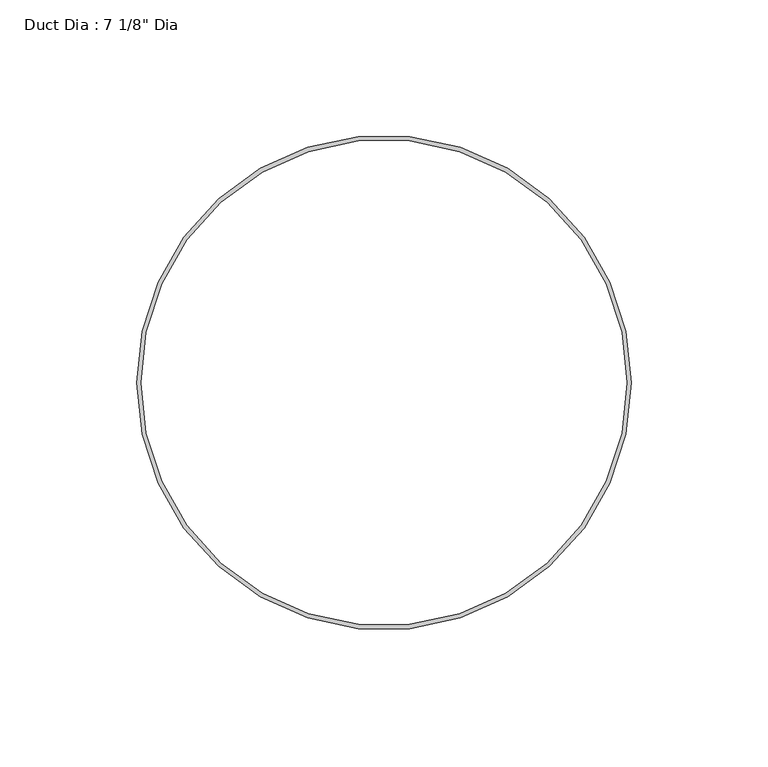
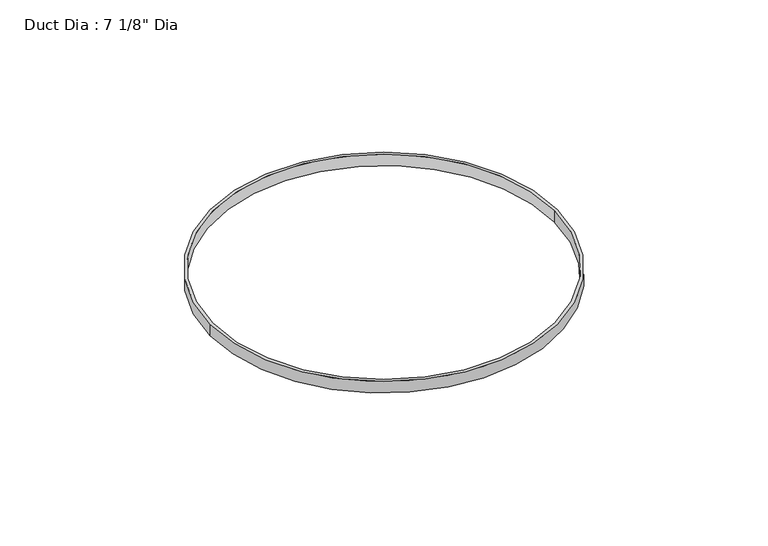
"""IFC4 building model written with IfcOpenShell, lengths in millimetres: proxy geometry."""

from ifc_helpers import new_model, si_unit, point, origin, origin_with_axes, origin_2d, place, context, project, spatial, circle_curve, trimmed, segment, composite_curve, outline, extrude, source, transform, mapped, element, save


def proxy_aacffdaf(model_context):
    return source(origin(), model_context, "Body", "SweptSolid", [
        extrude(outline(composite_curve([segment(trimmed(circle_curve(origin_2d(), 90.4875), [point((-90.4875, 0.0))], [point((90.4875, 0.0))], False, "CARTESIAN"), True, "CONTINUOUS"), segment(trimmed(circle_curve(origin_2d(), 90.4875), [point((90.4875, 0.0))], [point((-90.4875, 0.0))], False, "CARTESIAN"), True, "CONTINUOUS")], self_intersect=False), holes=[composite_curve([segment(trimmed(circle_curve(origin_2d(), 88.9), [point((-88.9, 0.0))], [point((88.9, 0.0))], True, "CARTESIAN"), True, "CONTINUOUS"), segment(trimmed(circle_curve(origin_2d(), 88.9), [point((88.9, 0.0))], [point((-88.9, 0.0))], True, "CARTESIAN"), True, "CONTINUOUS")], self_intersect=False)]), origin_with_axes(), (0.0, 0.0, 1.0), 6.35),
    ])


if __name__ == "__main__":
    model = new_model("IFC4")
    model_context = context("Model", 3, world=origin())
    ifc_project = project(units=[si_unit("LENGTHUNIT", "METRE", prefix="MILLI")], contexts=[model_context])
    site = spatial("IfcSite", under=ifc_project)
    building = spatial("IfcBuilding", under=site)
    placement = place(None, origin())
    proxy_shape = proxy_aacffdaf(model_context)
    element("IfcBuildingElementProxy", 1, Name="Duct Dia : 7 1/8\" Dia", ObjectType="Duct Dia : 7 1/8\" Dia", at=placement, inside=building, context=model_context, shape_type="MappedRepresentation", body=[
        mapped(proxy_shape, transform((0.0, 0.0, 0.0), x_axis=(1.0, 0.0, 0.0), y_axis=(0.0, 1.0, 0.0), z_axis=(0.0, 0.0, 1.0))),
    ])
    save(model, "model.ifc")
